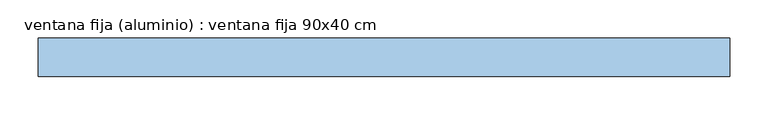
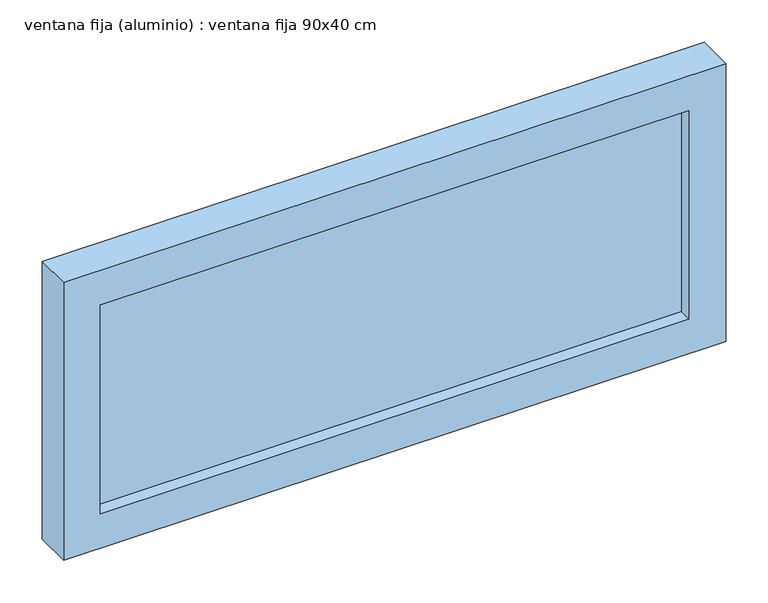
"""IFC4 building model written with IfcOpenShell, lengths in millimetres: window geometry, ventana fija (aluminio) : ventana fija 90x40 cm."""

from ifc_helpers import new_model, si_unit, frame, origin, place, context, project, spatial, polyline, outline, extrude, source, transform, mapped, element, save


def ventana_fija_aluminio_ventana_fija_90x40_cm_d8e9d711(model_context):
    return source(origin(), model_context, "Body", "SweptSolid", [
        extrude(outline(polyline([(400.0, -117.5), (400.0, -132.5), (-400.0, -132.5), (-400.0, -117.5), (400.0, -117.5)])), frame((0.0, 0.0, 850.0), z_axis=(0.0, 0.0, 1.0), x_axis=(1.0, 0.0, 0.0)), (0.0, 0.0, 1.0), 300.0),
        extrude(outline(polyline([(1200.0, -450.0), (800.0, -450.0), (800.0, 450.0), (1200.0, 450.0), (1200.0, -450.0)]), holes=[polyline([(1150.0, -400.0), (1150.0, 400.0), (850.0, 400.0), (850.0, -400.0), (1150.0, -400.0)])]), frame((0.0, -150.0, 0.0), z_axis=(0.0, 1.0, 0.0), x_axis=(0.0, 0.0, 1.0)), (0.0, 0.0, 1.0), 50.0),
    ])


if __name__ == "__main__":
    model = new_model("IFC4")
    model_context = context("Model", 3, world=origin())
    ifc_project = project(units=[si_unit("LENGTHUNIT", "METRE", prefix="MILLI")], contexts=[model_context])
    site = spatial("IfcSite", under=ifc_project)
    building = spatial("IfcBuilding", under=site)
    placement = place(None, origin())
    ventana_fija_aluminio_ventana_fija_90x40_cm_shape = ventana_fija_aluminio_ventana_fija_90x40_cm_d8e9d711(model_context)
    element("IfcWindow", 1, ObjectType="ventana fija (aluminio) : ventana fija 90x40 cm", at=placement, inside=building, context=model_context, shape_type="MappedRepresentation", body=[
        mapped(ventana_fija_aluminio_ventana_fija_90x40_cm_shape, transform((0.0, 0.0, 0.0), x_axis=(1.0, 0.0, 0.0), y_axis=(0.0, 1.0, 0.0), z_axis=(0.0, 0.0, 1.0))),
    ])
    save(model, "model.ifc")
